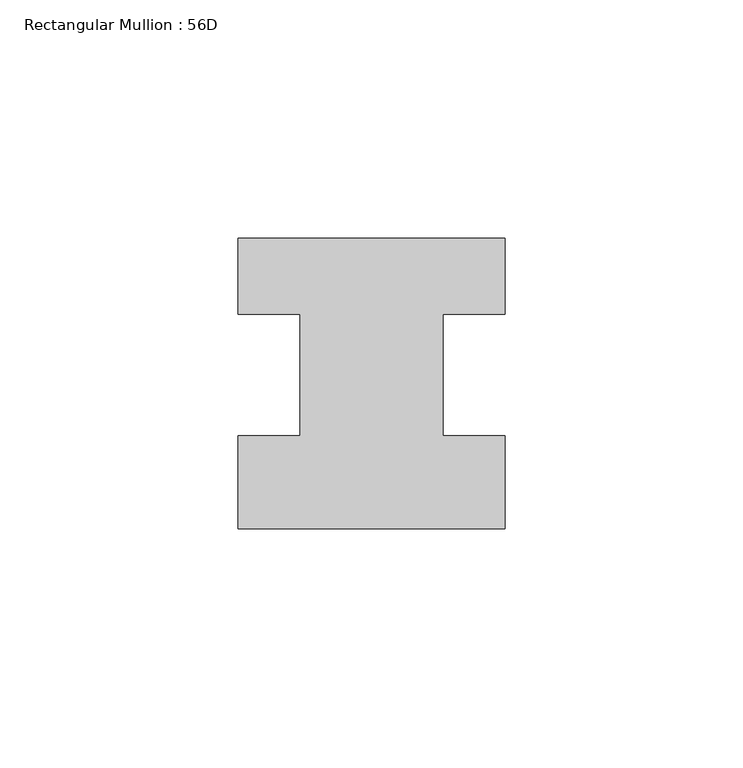
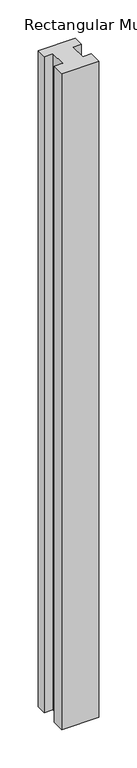
"""IFC4 building model written with IfcOpenShell, lengths in millimetres: member geometry, Rectangular Mullion : 56D."""

from ifc_helpers import new_model, si_unit, frame, origin, place, context, project, spatial, polyline, outline, extrude, source, transform, mapped, element, save


def rectangular_mullion_56d_ec897e07(model_context):
    return source(origin(), model_context, "Body", "SweptSolid", [
        extrude(outline(polyline([(28.0, -20.0), (-28.0, -20.0), (-28.0, -0.5), (-15.0, -0.5), (-15.0, 25.0), (-28.0, 25.0), (-28.0, 41.0), (28.0, 41.0), (28.0, 25.0), (15.0, 25.0), (15.0, -0.5), (28.0, -0.5), (28.0, -20.0)])), frame((0.0, 0.0, -1047.5608973), z_axis=(0.0, 0.0, 1.0), x_axis=(1.0, 0.0, 0.0)), (0.0, 0.0, 1.0), 1047.5608973),
    ])


if __name__ == "__main__":
    model = new_model("IFC4")
    model_context = context("Model", 3, world=origin())
    ifc_project = project(units=[si_unit("LENGTHUNIT", "METRE", prefix="MILLI")], contexts=[model_context])
    site = spatial("IfcSite", under=ifc_project)
    building = spatial("IfcBuilding", under=site)
    placement = place(None, origin())
    rectangular_mullion_56d_shape = rectangular_mullion_56d_ec897e07(model_context)
    element("IfcMember", 1, ObjectType="Rectangular Mullion : 56D", at=placement, inside=building, context=model_context, shape_type="MappedRepresentation", body=[
        mapped(rectangular_mullion_56d_shape, transform((0.0, 0.0, 0.0), x_axis=(1.0, 0.0, 0.0), y_axis=(0.0, 1.0, 0.0), z_axis=(0.0, 0.0, 1.0))),
    ])
    save(model, "model.ifc")
